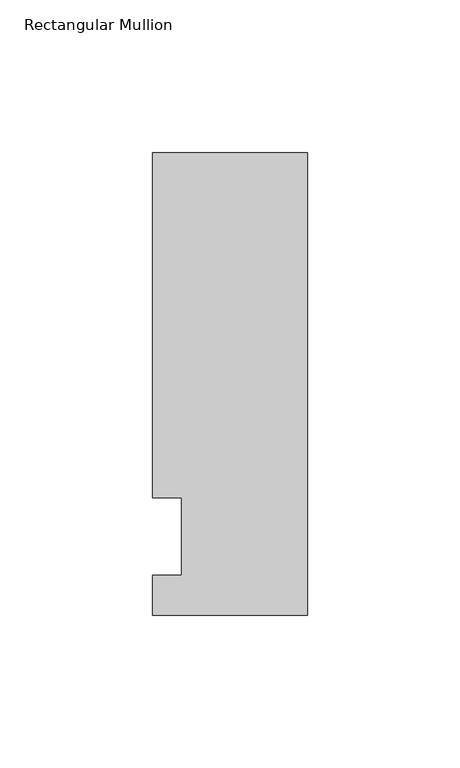
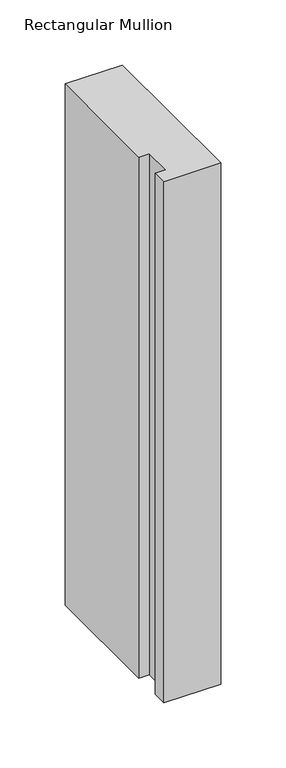
"""IFC4 building model written with IfcOpenShell, lengths in millimetres: member geometry, Rectangular Mullion."""

from ifc_helpers import new_model, si_unit, frame, origin, place, context, project, spatial, polyline, outline, extrude, source, transform, mapped, element, save


def rectangular_mullion_7cf573c3(model_context):
    return source(origin(), model_context, "Body", "SweptSolid", [
        extrude(outline(polyline([(-50.8, -25.7961253), (-50.8, -12.7), (-41.275, -12.7), (-41.275, 12.7), (-50.8, 12.7), (-50.8, 125.8036906), (0.0, 125.8036906), (0.0, -25.7961253), (-50.8, -25.7961253)])), frame((0.0, 0.0, -488.95), z_axis=(0.0, 0.0, 1.0), x_axis=(1.0, 0.0, 0.0)), (0.0, 0.0, 1.0), 488.95),
    ])


if __name__ == "__main__":
    model = new_model("IFC4")
    model_context = context("Model", 3, world=origin())
    ifc_project = project(units=[si_unit("LENGTHUNIT", "METRE", prefix="MILLI")], contexts=[model_context])
    site = spatial("IfcSite", under=ifc_project)
    building = spatial("IfcBuilding", under=site)
    placement = place(None, origin())
    rectangular_mullion_shape = rectangular_mullion_7cf573c3(model_context)
    element("IfcMember", 1, ObjectType="Rectangular Mullion", at=placement, inside=building, context=model_context, shape_type="MappedRepresentation", body=[
        mapped(rectangular_mullion_shape, transform((0.0, 0.0, 0.0), x_axis=(1.0, 0.0, 0.0), y_axis=(0.0, 1.0, 0.0), z_axis=(0.0, 0.0, 1.0))),
    ])
    save(model, "model.ifc")
